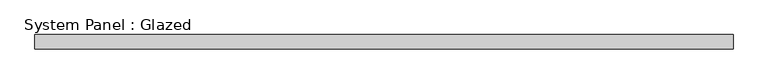
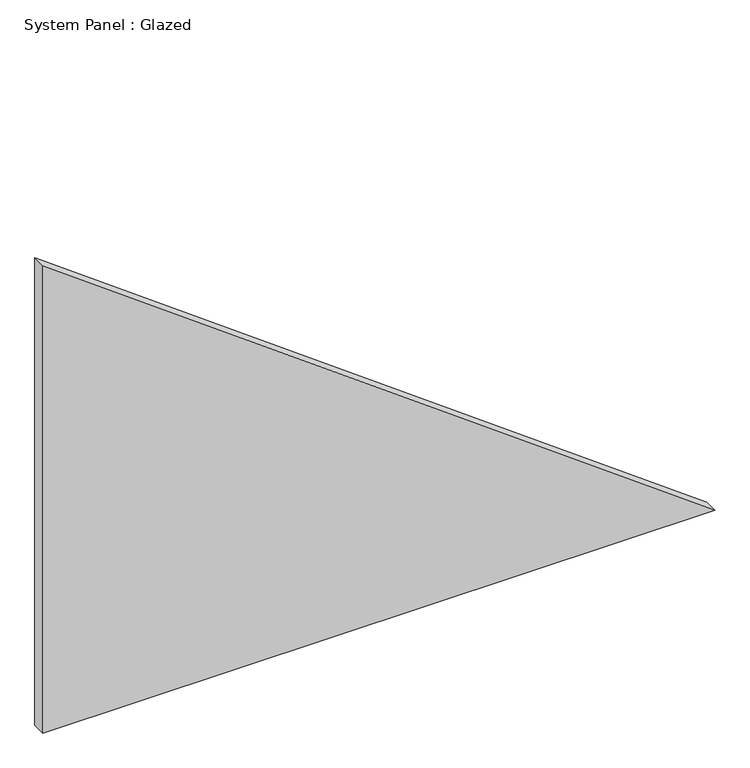
"""IFC4 building model written with IfcOpenShell, lengths in millimetres: plate geometry, System Panel : Glazed."""

from ifc_helpers import new_model, si_unit, frame, origin, place, context, project, spatial, polyline, outline, extrude, source, transform, mapped, element, save


def system_panel_glazed_a88ac127(model_context):
    return source(origin(), model_context, "Body", "SweptSolid", [
        extrude(outline(polyline([(0.0, -604.574587), (0.0, 604.574587), (889.1188601, -604.574587), (0.0, -604.574587)])), frame((0.0, -49.5, 0.0), z_axis=(0.0, 1.0, 0.0), x_axis=(0.0, 0.0, 1.0)), (0.0, 0.0, 1.0), 25.0),
    ])


if __name__ == "__main__":
    model = new_model("IFC4")
    model_context = context("Model", 3, world=origin())
    ifc_project = project(units=[si_unit("LENGTHUNIT", "METRE", prefix="MILLI")], contexts=[model_context])
    site = spatial("IfcSite", under=ifc_project)
    building = spatial("IfcBuilding", under=site)
    placement = place(None, origin())
    system_panel_glazed_shape = system_panel_glazed_a88ac127(model_context)
    element("IfcPlate", 1, ObjectType="System Panel : Glazed", at=placement, inside=building, context=model_context, shape_type="MappedRepresentation", body=[
        mapped(system_panel_glazed_shape, transform((0.0, 0.0, 0.0), x_axis=(1.0, 0.0, 0.0), y_axis=(0.0, 1.0, 0.0), z_axis=(0.0, 0.0, 1.0))),
    ])
    save(model, "model.ifc")
